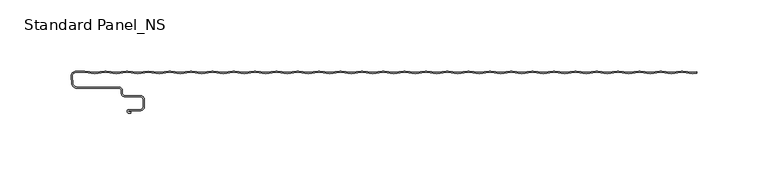
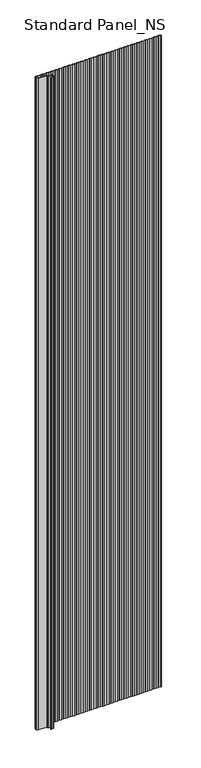
"""IFC4 building model written with IfcOpenShell, lengths in millimetres: proxy geometry, Standard Panel_NS."""

from ifc_helpers import new_model, si_unit, point, frame_2d, origin, origin_with_axes, place, context, project, spatial, polyline, circle_curve, trimmed, segment, composite_curve, outline, extrude, source, transform, mapped, element, save


def standard_panel_ns_0ea83ec2(model_context):
    return source(origin(), model_context, "Body", "SweptSolid", [
        extrude(outline(composite_curve([segment(polyline([(200.9757266, 98.2311894), (193.9420689, 99.1690104)]), True, "CONTINUOUS"), segment(trimmed(circle_curve(frame_2d((193.4654854, 95.5946345)), 3.6060082), [point((193.9420689, 99.1690104))], [point((192.9889019, 99.1690104))], True, "CARTESIAN"), True, "CONTINUOUS"), segment(polyline([(192.9889019, 99.1690104), (185.9552442, 98.2311894), (178.9215864, 99.1690104)]), True, "CONTINUOUS"), segment(trimmed(circle_curve(frame_2d((178.445003, 95.5946345)), 3.6060082), [point((178.9215864, 99.1690104))], [point((177.9684195, 99.1690104))], True, "CARTESIAN"), True, "CONTINUOUS"), segment(polyline([(177.9684195, 99.1690104), (170.9347618, 98.2311894), (163.901104, 99.1690104)]), True, "CONTINUOUS"), segment(trimmed(circle_curve(frame_2d((163.4245205, 95.5946345)), 3.6060082), [point((163.901104, 99.1690104))], [point((162.9479371, 99.1690104))], True, "CARTESIAN"), True, "CONTINUOUS"), segment(polyline([(162.9479371, 99.1690104), (155.9142793, 98.2311894), (148.8806215, 99.1690104)]), True, "CONTINUOUS"), segment(trimmed(circle_curve(frame_2d((148.4040381, 95.5946345)), 3.6060082), [point((148.8806215, 99.1690104))], [point((147.9274546, 99.1690104))], True, "CARTESIAN"), True, "CONTINUOUS"), segment(polyline([(147.9274546, 99.1690104), (140.8937969, 98.2311894), (133.8601391, 99.1690104)]), True, "CONTINUOUS"), segment(trimmed(circle_curve(frame_2d((133.3835556, 95.5946345)), 3.6060082), [point((133.8601391, 99.1690104))], [point((132.9069722, 99.1690104))], True, "CARTESIAN"), True, "CONTINUOUS"), segment(polyline([(132.9069722, 99.1690104), (125.8733144, 98.2311894), (118.8396566, 99.1690104)]), True, "CONTINUOUS"), segment(trimmed(circle_curve(frame_2d((118.3630732, 95.5946345)), 3.6060082), [point((118.8396566, 99.1690104))], [point((117.8864897, 99.1690104))], True, "CARTESIAN"), True, "CONTINUOUS"), segment(polyline([(117.8864897, 99.1690104), (110.852832, 98.2311894), (103.8191742, 99.1690104)]), True, "CONTINUOUS"), segment(trimmed(circle_curve(frame_2d((103.3425907, 95.5946345)), 3.6060082), [point((103.8191742, 99.1690104))], [point((102.8660073, 99.1690104))], True, "CARTESIAN"), True, "CONTINUOUS"), segment(polyline([(102.8660073, 99.1690104), (95.8323495, 98.2311894), (88.7986918, 99.1690104)]), True, "CONTINUOUS"), segment(trimmed(circle_curve(frame_2d((88.3221083, 95.5946345)), 3.6060082), [point((88.7986918, 99.1690104))], [point((87.8455248, 99.1690104))], True, "CARTESIAN"), True, "CONTINUOUS"), segment(polyline([(87.8455248, 99.1690104), (80.8118671, 98.2311894), (73.7782093, 99.1690104)]), True, "CONTINUOUS"), segment(trimmed(circle_curve(frame_2d((73.3016259, 95.5946345)), 3.6060082), [point((73.7782093, 99.1690104))], [point((72.8250424, 99.1690104))], True, "CARTESIAN"), True, "CONTINUOUS"), segment(polyline([(72.8250424, 99.1690104), (65.7913846, 98.2311894), (58.7577269, 99.1690104)]), True, "CONTINUOUS"), segment(trimmed(circle_curve(frame_2d((58.2811434, 95.5946345)), 3.6060082), [point((58.7577269, 99.1690104))], [point((57.80456, 99.1690104))], True, "CARTESIAN"), True, "CONTINUOUS"), segment(polyline([(57.80456, 99.1690104), (50.7709022, 98.2311894), (43.7372444, 99.1690104)]), True, "CONTINUOUS"), segment(trimmed(circle_curve(frame_2d((43.260661, 95.5946345)), 3.6060082), [point((43.7372444, 99.1690104))], [point((42.7840775, 99.1690104))], True, "CARTESIAN"), True, "CONTINUOUS"), segment(polyline([(42.7840775, 99.1690104), (35.7504198, 98.2311894), (28.716762, 99.1690104)]), True, "CONTINUOUS"), segment(trimmed(circle_curve(frame_2d((28.2401785, 95.5946345)), 3.6060082), [point((28.716762, 99.1690104))], [point((27.7635951, 99.1690104))], True, "CARTESIAN"), True, "CONTINUOUS"), segment(polyline([(27.7635951, 99.1690104), (20.7299373, 98.2311894), (13.6962795, 99.1690104)]), True, "CONTINUOUS"), segment(trimmed(circle_curve(frame_2d((13.2196961, 95.5946345)), 3.6060082), [point((13.6962795, 99.1690104))], [point((12.7431126, 99.1690104))], True, "CARTESIAN"), True, "CONTINUOUS"), segment(polyline([(12.7431126, 99.1690104), (5.7094549, 98.2311894), (-1.3242029, 99.1690104)]), True, "CONTINUOUS"), segment(trimmed(circle_curve(frame_2d((-1.8007864, 95.5946345)), 3.6060082), [point((-1.3242029, 99.1690104))], [point((-2.2773698, 99.1690104))], True, "CARTESIAN"), True, "CONTINUOUS"), segment(polyline([(-2.2773698, 99.1690104), (-9.3110276, 98.2311894), (-16.3446854, 99.1690104)]), True, "CONTINUOUS"), segment(trimmed(circle_curve(frame_2d((-16.8212688, 95.5946345)), 3.6060082), [point((-16.3446854, 99.1690104))], [point((-17.2978523, 99.1690104))], True, "CARTESIAN"), True, "CONTINUOUS"), segment(polyline([(-17.2978523, 99.1690104), (-24.33151, 98.2311894), (-31.3651678, 99.1690104)]), True, "CONTINUOUS"), segment(trimmed(circle_curve(frame_2d((-31.8417513, 95.5946345)), 3.6060082), [point((-31.3651678, 99.1690104))], [point((-32.3183347, 99.1690104))], True, "CARTESIAN"), True, "CONTINUOUS"), segment(polyline([(-32.3183347, 99.1690104), (-39.3519925, 98.2311894), (-46.3856502, 99.1690104)]), True, "CONTINUOUS"), segment(trimmed(circle_curve(frame_2d((-46.8622337, 95.5946345)), 3.6060082), [point((-46.3856502, 99.1690104))], [point((-47.3388172, 99.1690104))], True, "CARTESIAN"), True, "CONTINUOUS"), segment(polyline([(-47.3388172, 99.1690104), (-54.3724749, 98.2311894), (-61.4061327, 99.1690104)]), True, "CONTINUOUS"), segment(trimmed(circle_curve(frame_2d((-61.8827161, 95.5946345)), 3.6060082), [point((-61.4061327, 99.1690104))], [point((-62.3592996, 99.1690104))], True, "CARTESIAN"), True, "CONTINUOUS"), segment(polyline([(-62.3592996, 99.1690104), (-69.3929573, 98.2311894), (-76.4266151, 99.1690104)]), True, "CONTINUOUS"), segment(trimmed(circle_curve(frame_2d((-76.9031986, 95.5946345)), 3.6060082), [point((-76.4266151, 99.1690104))], [point((-77.379782, 99.1690104))], True, "CARTESIAN"), True, "CONTINUOUS"), segment(polyline([(-77.379782, 99.1690104), (-84.4134398, 98.2311894), (-91.4470976, 99.1690104)]), True, "CONTINUOUS"), segment(trimmed(circle_curve(frame_2d((-91.923681, 95.5946345)), 3.6060082), [point((-91.4470976, 99.1690104))], [point((-92.4002645, 99.1690104))], True, "CARTESIAN"), True, "CONTINUOUS"), segment(polyline([(-92.4002645, 99.1690104), (-99.4339222, 98.2311894), (-106.46758, 99.1690104)]), True, "CONTINUOUS"), segment(trimmed(circle_curve(frame_2d((-106.9441635, 95.5946345)), 3.6060082), [point((-106.46758, 99.1690104))], [point((-107.4207469, 99.1690104))], True, "CARTESIAN"), True, "CONTINUOUS"), segment(polyline([(-107.4207469, 99.1690104), (-114.4544047, 98.2311894), (-121.4880625, 99.1690104)]), True, "CONTINUOUS"), segment(trimmed(circle_curve(frame_2d((-121.9646459, 95.5946345)), 3.6060082), [point((-121.4880625, 99.1690104))], [point((-122.4412294, 99.1690104))], True, "CARTESIAN"), True, "CONTINUOUS"), segment(polyline([(-122.4412294, 99.1690104), (-129.4748871, 98.2311894), (-136.5085449, 99.1690104)]), True, "CONTINUOUS"), segment(trimmed(circle_curve(frame_2d((-136.9851284, 95.5946345)), 3.6060082), [point((-136.5085449, 99.1690104))], [point((-137.4617118, 99.1690104))], True, "CARTESIAN"), True, "CONTINUOUS"), segment(polyline([(-137.4617118, 99.1690104), (-144.4953696, 98.2311894), (-151.5290274, 99.1690104)]), True, "CONTINUOUS"), segment(trimmed(circle_curve(frame_2d((-152.0056108, 95.5946345)), 3.6060082), [point((-151.5290274, 99.1690104))], [point((-152.4821943, 99.1690104))], True, "CARTESIAN"), True, "CONTINUOUS"), segment(polyline([(-152.4821943, 99.1690104), (-159.515852, 98.2311894), (-166.5495098, 99.1690104)]), True, "CONTINUOUS"), segment(trimmed(circle_curve(frame_2d((-167.0260933, 95.5946345)), 3.6060082), [point((-166.5495098, 99.1690104))], [point((-167.5026767, 99.1690104))], True, "CARTESIAN"), True, "CONTINUOUS"), segment(polyline([(-167.5026767, 99.1690104), (-174.5363345, 98.2311894), (-182.0465757, 99.2325549), (-189.5568169, 98.2311894), (-196.5904747, 99.1690104)]), True, "CONTINUOUS"), segment(trimmed(circle_curve(frame_2d((-197.0670581, 95.5946345)), 3.6060082), [point((-196.5904747, 99.1690104))], [point((-197.5436416, 99.1690104))], True, "CARTESIAN"), True, "CONTINUOUS"), segment(polyline([(-197.5436416, 99.1690104), (-204.5772994, 98.2311894), (-211.6109571, 99.1690104)]), True, "CONTINUOUS"), segment(trimmed(circle_curve(frame_2d((-212.0875406, 95.5946345)), 3.6060082), [point((-211.6109571, 99.1690104))], [point((-212.564124, 99.1690104))], True, "CARTESIAN"), True, "CONTINUOUS"), segment(polyline([(-212.564124, 99.1690104), (-219.5977818, 98.2311894), (-226.8685673, 99.2006275), (-232.8591806, 99.2006275)]), True, "CONTINUOUS"), segment(trimmed(circle_curve(frame_2d((-232.8591806, 96.4402183)), 2.7604092), [point((-232.8591806, 99.2006275))], [point((-235.6090836, 96.1996106))], True, "CARTESIAN"), True, "CONTINUOUS"), segment(polyline([(-235.6090836, 96.1996106), (-235.1937635, 91.4529208)]), True, "CONTINUOUS"), segment(trimmed(circle_curve(frame_2d((-232.3045986, 91.7057134)), 2.9002032), [point((-235.1937635, 91.4529208))], [point((-232.3045986, 88.8055103))], True, "CARTESIAN"), True, "CONTINUOUS"), segment(polyline([(-232.3045986, 88.8055103), (-202.67533, 88.8055103)]), True, "CONTINUOUS"), segment(trimmed(circle_curve(frame_2d((-202.67533, 86.4057064)), 2.3998039), [point((-202.67533, 88.8055103))], [point((-200.2755261, 86.4057064))], False, "CARTESIAN"), True, "CONTINUOUS"), segment(polyline([(-200.2755261, 86.4057064), (-200.2755261, 84.4057064)]), True, "CONTINUOUS"), segment(trimmed(circle_curve(frame_2d((-198.67533, 84.4057064)), 1.6001961), [point((-200.2755261, 84.4057064))], [point((-198.67533, 82.8055103))], True, "CARTESIAN"), True, "CONTINUOUS"), segment(polyline([(-198.67533, 82.8055103), (-188.0058392, 82.8055103)]), True, "CONTINUOUS"), segment(trimmed(circle_curve(frame_2d((-188.0058392, 79.6557064)), 3.1498039), [point((-188.0058392, 82.8055103))], [point((-184.8560353, 79.6557064))], False, "CARTESIAN"), True, "CONTINUOUS"), segment(polyline([(-184.8560353, 79.6557064), (-184.8560353, 75.2557048)]), True, "CONTINUOUS"), segment(trimmed(circle_curve(frame_2d((-188.0058392, 75.2557048)), 3.1498039), [point((-184.8560353, 75.2557048))], [point((-188.0058392, 72.1059009))], False, "CARTESIAN"), True, "CONTINUOUS"), segment(polyline([(-188.0058392, 72.1059009), (-195.7650669, 72.1059009)]), True, "CONTINUOUS"), segment(trimmed(circle_curve(frame_2d((-195.7650669, 71.7057056)), 0.4001953), [point((-195.7650669, 72.1059009))], [point((-195.7650669, 71.3055103))], True, "CARTESIAN"), True, "CONTINUOUS"), segment(polyline([(-195.7650669, 71.3055103), (-194.3950677, 71.3055103), (-194.3950677, 70.5055103), (-195.7650669, 70.5055103)]), True, "CONTINUOUS"), segment(trimmed(circle_curve(frame_2d((-195.7650669, 71.7057056)), 1.2001953), [point((-195.7650669, 70.5055103))], [point((-195.7650669, 72.9059009))], False, "CARTESIAN"), True, "CONTINUOUS"), segment(polyline([(-195.7650669, 72.9059009), (-188.0058392, 72.9059009)]), True, "CONTINUOUS"), segment(trimmed(circle_curve(frame_2d((-188.0058392, 75.2557048)), 2.3498039), [point((-188.0058392, 72.9059009))], [point((-185.6560353, 75.2557048))], True, "CARTESIAN"), True, "CONTINUOUS"), segment(polyline([(-185.6560353, 75.2557048), (-185.6560353, 79.6557064)]), True, "CONTINUOUS"), segment(trimmed(circle_curve(frame_2d((-188.0058392, 79.6557064)), 2.3498039), [point((-185.6560353, 79.6557064))], [point((-188.0058392, 82.0055103))], True, "CARTESIAN"), True, "CONTINUOUS"), segment(polyline([(-188.0058392, 82.0055103), (-198.67533, 82.0055103)]), True, "CONTINUOUS"), segment(trimmed(circle_curve(frame_2d((-198.67533, 84.4057064)), 2.4001961), [point((-198.67533, 82.0055103))], [point((-201.0755261, 84.4057064))], False, "CARTESIAN"), True, "CONTINUOUS"), segment(polyline([(-201.0755261, 84.4057064), (-201.0755261, 86.4057064)]), True, "CONTINUOUS"), segment(trimmed(circle_curve(frame_2d((-202.67533, 86.4057064)), 1.5998039), [point((-201.0755261, 86.4057064))], [point((-202.67533, 88.0055103))], True, "CARTESIAN"), True, "CONTINUOUS"), segment(polyline([(-202.67533, 88.0055103), (-232.3045986, 88.0055103)]), True, "CONTINUOUS"), segment(trimmed(circle_curve(frame_2d((-232.3045986, 91.7057134)), 3.7002032), [point((-232.3045986, 88.0055103))], [point((-235.9907187, 91.3831898))], False, "CARTESIAN"), True, "CONTINUOUS"), segment(polyline([(-235.9907187, 91.3831898), (-236.4060388, 96.1298796)]), True, "CONTINUOUS"), segment(trimmed(circle_curve(frame_2d((-232.8591806, 96.4402183)), 3.5604092), [point((-236.4060388, 96.1298796))], [point((-232.8591806, 100.0006275))], False, "CARTESIAN"), True, "CONTINUOUS"), segment(polyline([(-232.8591806, 100.0006275), (-226.8154689, 100.0006275), (-219.5977818, 99.0382692), (-212.669855, 99.9619928)]), True, "CONTINUOUS"), segment(trimmed(circle_curve(frame_2d((-212.0875406, 95.5946345)), 4.4060082), [point((-212.669855, 99.9619928))], [point((-211.5052261, 99.9619928))], False, "CARTESIAN"), True, "CONTINUOUS"), segment(polyline([(-211.5052261, 99.9619928), (-204.5772994, 99.0382692), (-197.6493726, 99.9619928)]), True, "CONTINUOUS"), segment(trimmed(circle_curve(frame_2d((-197.0670581, 95.5946345)), 4.4060082), [point((-197.6493726, 99.9619928))], [point((-196.4847437, 99.9619928))], False, "CARTESIAN"), True, "CONTINUOUS"), segment(polyline([(-196.4847437, 99.9619928), (-189.5568169, 99.0382692), (-182.0465757, 100.0396347), (-174.5363345, 99.0382692), (-167.6084077, 99.9619928)]), True, "CONTINUOUS"), segment(trimmed(circle_curve(frame_2d((-167.0260933, 95.5946345)), 4.4060082), [point((-167.6084077, 99.9619928))], [point((-166.4437788, 99.9619928))], False, "CARTESIAN"), True, "CONTINUOUS"), segment(polyline([(-166.4437788, 99.9619928), (-159.515852, 99.0382692), (-152.5879252, 99.9619928)]), True, "CONTINUOUS"), segment(trimmed(circle_curve(frame_2d((-152.0056108, 95.5946345)), 4.4060082), [point((-152.5879252, 99.9619928))], [point((-151.4232964, 99.9619928))], False, "CARTESIAN"), True, "CONTINUOUS"), segment(polyline([(-151.4232964, 99.9619928), (-144.4953696, 99.0382692), (-137.5674428, 99.9619928)]), True, "CONTINUOUS"), segment(trimmed(circle_curve(frame_2d((-136.9851284, 95.5946345)), 4.4060082), [point((-137.5674428, 99.9619928))], [point((-136.4028139, 99.9619928))], False, "CARTESIAN"), True, "CONTINUOUS"), segment(polyline([(-136.4028139, 99.9619928), (-129.4748871, 99.0382692), (-122.5469604, 99.9619928)]), True, "CONTINUOUS"), segment(trimmed(circle_curve(frame_2d((-121.9646459, 95.5946345)), 4.4060082), [point((-122.5469604, 99.9619928))], [point((-121.3823315, 99.9619928))], False, "CARTESIAN"), True, "CONTINUOUS"), segment(polyline([(-121.3823315, 99.9619928), (-114.4544047, 99.0382692), (-107.5264779, 99.9619928)]), True, "CONTINUOUS"), segment(trimmed(circle_curve(frame_2d((-106.9441635, 95.5946345)), 4.4060082), [point((-107.5264779, 99.9619928))], [point((-106.361849, 99.9619928))], False, "CARTESIAN"), True, "CONTINUOUS"), segment(polyline([(-106.361849, 99.9619928), (-99.4339222, 99.0382692), (-92.5059955, 99.9619928)]), True, "CONTINUOUS"), segment(trimmed(circle_curve(frame_2d((-91.923681, 95.5946345)), 4.4060082), [point((-92.5059955, 99.9619928))], [point((-91.3413666, 99.9619928))], False, "CARTESIAN"), True, "CONTINUOUS"), segment(polyline([(-91.3413666, 99.9619928), (-84.4134398, 99.0382692), (-77.485513, 99.9619928)]), True, "CONTINUOUS"), segment(trimmed(circle_curve(frame_2d((-76.9031986, 95.5946345)), 4.4060082), [point((-77.485513, 99.9619928))], [point((-76.3208842, 99.9619928))], False, "CARTESIAN"), True, "CONTINUOUS"), segment(polyline([(-76.3208842, 99.9619928), (-69.3929573, 99.0382692), (-62.4650306, 99.9619928)]), True, "CONTINUOUS"), segment(trimmed(circle_curve(frame_2d((-61.8827161, 95.5946345)), 4.4060082), [point((-62.4650306, 99.9619928))], [point((-61.3004017, 99.9619928))], False, "CARTESIAN"), True, "CONTINUOUS"), segment(polyline([(-61.3004017, 99.9619928), (-54.3724749, 99.0382692), (-47.4445481, 99.9619928)]), True, "CONTINUOUS"), segment(trimmed(circle_curve(frame_2d((-46.8622337, 95.5946345)), 4.4060082), [point((-47.4445481, 99.9619928))], [point((-46.2799193, 99.9619928))], False, "CARTESIAN"), True, "CONTINUOUS"), segment(polyline([(-46.2799193, 99.9619928), (-39.3519925, 99.0382692), (-32.4240657, 99.9619928)]), True, "CONTINUOUS"), segment(trimmed(circle_curve(frame_2d((-31.8417513, 95.5946345)), 4.4060082), [point((-32.4240657, 99.9619928))], [point((-31.2594368, 99.9619928))], False, "CARTESIAN"), True, "CONTINUOUS"), segment(polyline([(-31.2594368, 99.9619928), (-24.33151, 99.0382692), (-17.4035832, 99.9619928)]), True, "CONTINUOUS"), segment(trimmed(circle_curve(frame_2d((-16.8212688, 95.5946345)), 4.4060082), [point((-17.4035832, 99.9619928))], [point((-16.2389544, 99.9619928))], False, "CARTESIAN"), True, "CONTINUOUS"), segment(polyline([(-16.2389544, 99.9619928), (-9.3110276, 99.0382692), (-2.3831008, 99.9619928)]), True, "CONTINUOUS"), segment(trimmed(circle_curve(frame_2d((-1.8007864, 95.5946345)), 4.4060082), [point((-2.3831008, 99.9619928))], [point((-1.2184719, 99.9619928))], False, "CARTESIAN"), True, "CONTINUOUS"), segment(polyline([(-1.2184719, 99.9619928), (5.7094549, 99.0382692), (12.6373816, 99.9619928)]), True, "CONTINUOUS"), segment(trimmed(circle_curve(frame_2d((13.2196961, 95.5946345)), 4.4060082), [point((12.6373816, 99.9619928))], [point((13.8020105, 99.9619928))], False, "CARTESIAN"), True, "CONTINUOUS"), segment(polyline([(13.8020105, 99.9619928), (20.7299373, 99.0382692), (27.6578641, 99.9619928)]), True, "CONTINUOUS"), segment(trimmed(circle_curve(frame_2d((28.2401785, 95.5946345)), 4.4060082), [point((27.6578641, 99.9619928))], [point((28.822493, 99.9619928))], False, "CARTESIAN"), True, "CONTINUOUS"), segment(polyline([(28.822493, 99.9619928), (35.7504198, 99.0382692), (42.6783465, 99.9619928)]), True, "CONTINUOUS"), segment(trimmed(circle_curve(frame_2d((43.260661, 95.5946345)), 4.4060082), [point((42.6783465, 99.9619928))], [point((43.8429754, 99.9619928))], False, "CARTESIAN"), True, "CONTINUOUS"), segment(polyline([(43.8429754, 99.9619928), (50.7709022, 99.0382692), (57.698829, 99.9619928)]), True, "CONTINUOUS"), segment(trimmed(circle_curve(frame_2d((58.2811434, 95.5946345)), 4.4060082), [point((57.698829, 99.9619928))], [point((58.8634578, 99.9619928))], False, "CARTESIAN"), True, "CONTINUOUS"), segment(polyline([(58.8634578, 99.9619928), (65.7913846, 99.0382692), (72.7193114, 99.9619928)]), True, "CONTINUOUS"), segment(trimmed(circle_curve(frame_2d((73.3016259, 95.5946345)), 4.4060082), [point((72.7193114, 99.9619928))], [point((73.8839403, 99.9619928))], False, "CARTESIAN"), True, "CONTINUOUS"), segment(polyline([(73.8839403, 99.9619928), (80.8118671, 99.0382692), (87.7397939, 99.9619928)]), True, "CONTINUOUS"), segment(trimmed(circle_curve(frame_2d((88.3221083, 95.5946345)), 4.4060082), [point((87.7397939, 99.9619928))], [point((88.9044227, 99.9619928))], False, "CARTESIAN"), True, "CONTINUOUS"), segment(polyline([(88.9044227, 99.9619928), (95.8323495, 99.0382692), (102.7602763, 99.9619928)]), True, "CONTINUOUS"), segment(trimmed(circle_curve(frame_2d((103.3425907, 95.5946345)), 4.4060082), [point((102.7602763, 99.9619928))], [point((103.9249052, 99.9619928))], False, "CARTESIAN"), True, "CONTINUOUS"), segment(polyline([(103.9249052, 99.9619928), (110.852832, 99.0382692), (117.7807588, 99.9619928)]), True, "CONTINUOUS"), segment(trimmed(circle_curve(frame_2d((118.3630732, 95.5946345)), 4.4060082), [point((117.7807588, 99.9619928))], [point((118.9453876, 99.9619928))], False, "CARTESIAN"), True, "CONTINUOUS"), segment(polyline([(118.9453876, 99.9619928), (125.8733144, 99.0382692), (132.8012412, 99.9619928)]), True, "CONTINUOUS"), segment(trimmed(circle_curve(frame_2d((133.3835556, 95.5946345)), 4.4060082), [point((132.8012412, 99.9619928))], [point((133.9658701, 99.9619928))], False, "CARTESIAN"), True, "CONTINUOUS"), segment(polyline([(133.9658701, 99.9619928), (140.8937969, 99.0382692), (147.8217236, 99.9619928)]), True, "CONTINUOUS"), segment(trimmed(circle_curve(frame_2d((148.4040381, 95.5946345)), 4.4060082), [point((147.8217236, 99.9619928))], [point((148.9863525, 99.9619928))], False, "CARTESIAN"), True, "CONTINUOUS"), segment(polyline([(148.9863525, 99.9619928), (155.9142793, 99.0382692), (162.8422061, 99.9619928)]), True, "CONTINUOUS"), segment(trimmed(circle_curve(frame_2d((163.4245205, 95.5946345)), 4.4060082), [point((162.8422061, 99.9619928))], [point((164.006835, 99.9619928))], False, "CARTESIAN"), True, "CONTINUOUS"), segment(polyline([(164.006835, 99.9619928), (170.9347618, 99.0382692), (177.8626885, 99.9619928)]), True, "CONTINUOUS"), segment(trimmed(circle_curve(frame_2d((178.445003, 95.5946345)), 4.4060082), [point((177.8626885, 99.9619928))], [point((179.0273174, 99.9619928))], False, "CARTESIAN"), True, "CONTINUOUS"), segment(polyline([(179.0273174, 99.9619928), (185.9552442, 99.0382692), (192.883171, 99.9619928)]), True, "CONTINUOUS"), segment(trimmed(circle_curve(frame_2d((193.4654854, 95.5946345)), 4.4060082), [point((192.883171, 99.9619928))], [point((194.0477998, 99.9619928))], False, "CARTESIAN"), True, "CONTINUOUS"), segment(polyline([(194.0477998, 99.9619928), (200.9757266, 99.0382692), (203.9042607, 99.4287404), (203.9042607, 98.6216606), (200.9757266, 98.2311894)]), True, "CONTINUOUS")], self_intersect=False)), origin_with_axes(), (0.0, 0.0, 1.0), 2400.0),
    ])


if __name__ == "__main__":
    model = new_model("IFC4")
    model_context = context("Model", 3, world=origin())
    ifc_project = project(units=[si_unit("LENGTHUNIT", "METRE", prefix="MILLI")], contexts=[model_context])
    site = spatial("IfcSite", under=ifc_project)
    building = spatial("IfcBuilding", under=site)
    placement = place(None, origin())
    standard_panel_ns_shape = standard_panel_ns_0ea83ec2(model_context)
    element("IfcBuildingElementProxy", 1, Name="Standard Panel_NS", ObjectType="Standard Panel_NS", at=placement, inside=building, context=model_context, shape_type="MappedRepresentation", body=[
        mapped(standard_panel_ns_shape, transform((0.0, 0.0, 0.0), x_axis=(1.0, 0.0, 0.0), y_axis=(0.0, 1.0, 0.0), z_axis=(0.0, 0.0, 1.0))),
    ])
    save(model, "model.ifc")
